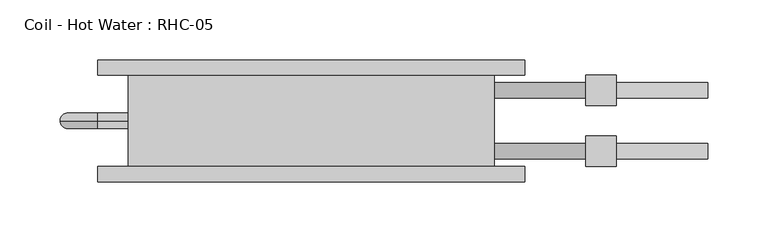
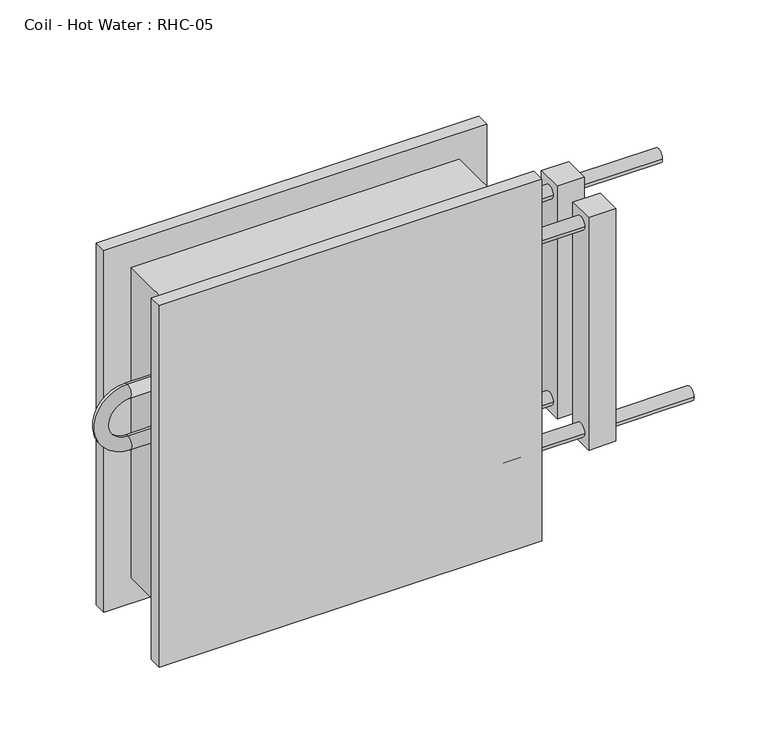
"""IFC4 building model written with IfcOpenShell, lengths in millimetres: proxy geometry, Coil - Hot Water : RHC-05."""

from ifc_helpers import new_model, si_unit, point, frame, origin, place, context, project, spatial, circle_curve, ellipse_curve, trimmed, source, transform, mapped, element, save
from ifc_brep_helpers import plane_surface, cylinder_surface, revolved_surface, advanced_brep


def coil_hot_water_rhc_05_f7cf26ff(model_context):
    return source(origin(), model_context, "Body", "AdvancedBrep", [
        advanced_brep(
        [(-152.4, -76.2, 304.8), (152.4, -76.2, 304.8), (152.4, 0.0, 304.8), (-152.4, 0.0, 304.8), (152.4, -76.2, 0.0), (-152.4, -76.2, 0.0), (-152.4, 0.0, 0.0), (152.4, 0.0, 0.0), (-152.4, -38.1, 222.25), (-152.4, -38.1, 209.55), (-152.4, -38.1, 171.45), (-152.4, -38.1, 158.75), (152.4, -57.15, 254.0), (152.4, -69.85, 254.0), (152.4, -6.35, 50.8), (152.4, -19.05, 50.8), (152.4, -6.35, 254.0), (152.4, -19.05, 254.0), (152.4, -57.15, 50.8), (152.4, -69.85, 50.8), (177.8, -76.2, 330.2), (177.8, -76.2, -25.4), (-177.8, -76.2, -25.4), (-177.8, -76.2, 330.2), (177.8, -88.9, 330.2), (-177.8, -88.9, 330.2), (-177.8, -88.9, -25.4), (177.8, -88.9, -25.4), (330.2, -57.15, 50.8), (330.2, -69.85, 50.8), (330.2, -6.35, 254.0), (330.2, -19.05, 254.0), (254.0, -69.85, 50.8), (254.0, -57.15, 50.8), (254.0, -19.05, 254.0), (254.0, -6.35, 254.0), (177.8, 12.7, 330.2), (177.8, 12.7, -25.4), (-177.8, 12.7, -25.4), (-177.8, 12.7, 330.2), (177.8, 0.0, 330.2), (-177.8, 0.0, 330.2), (-177.8, 0.0, -25.4), (177.8, 0.0, -25.4), (-177.8, -38.1, 209.55), (-177.8, -38.1, 222.25), (-177.8, -38.1, 171.45), (-177.8, -38.1, 158.75), (228.6, -69.85, 254.0), (228.6, -57.15, 254.0), (228.6, -19.05, 50.8), (228.6, -6.35, 50.8), (228.6, -19.05, 254.0), (228.6, -6.35, 254.0), (228.6, -69.85, 50.8), (228.6, -57.15, 50.8), (254.0, -50.8, 266.7), (254.0, -76.2, 266.7), (254.0, -76.2, 38.1), (254.0, -50.8, 38.1), (254.0, 0.0, 266.7), (254.0, -25.4, 266.7), (254.0, -25.4, 38.1), (254.0, 0.0, 38.1), (228.6, -50.8, 266.7), (228.6, -50.8, 38.1), (228.6, -76.2, 38.1), (228.6, -76.2, 266.7), (228.6, 0.0, 266.7), (228.6, 0.0, 38.1), (228.6, -25.4, 38.1), (228.6, -25.4, 266.7)],
        [
            (0, 1),
            (1, 2),
            (2, 3),
            (3, 0),
            (4, 5),
            (5, 6),
            (6, 7),
            (7, 4),
            (3, 6),
            (5, 0),
            (8, 9, circle_curve(frame((-152.4, -38.1, 215.9), z_axis=(1.0, 0.0, 0.0), x_axis=(0.0, 0.0, -1.0)), 6.35)),
            (9, 8, circle_curve(frame((-152.4, -38.1, 215.9), z_axis=(1.0, 0.0, 0.0), x_axis=(0.0, 0.0, -1.0)), 6.35)),
            (10, 11, circle_curve(frame((-152.4, -38.1, 165.1), z_axis=(1.0, 0.0, 0.0), x_axis=(0.0, 0.0, 1.0)), 6.35)),
            (11, 10, circle_curve(frame((-152.4, -38.1, 165.1), z_axis=(1.0, 0.0, 0.0), x_axis=(0.0, 0.0, 1.0)), 6.35)),
            (1, 4),
            (7, 2),
            (12, 13, circle_curve(frame((152.4, -63.5, 254.0), z_axis=(-1.0, 0.0, 0.0), x_axis=(0.0, -1.0, 0.0)), 6.35)),
            (13, 12, circle_curve(frame((152.4, -63.5, 254.0), z_axis=(-1.0, 0.0, 0.0), x_axis=(0.0, -1.0, 0.0)), 6.35)),
            (14, 15, circle_curve(frame((152.4, -12.7, 50.8), z_axis=(-1.0, 0.0, 0.0), x_axis=(0.0, -1.0, 0.0)), 6.35)),
            (15, 14, circle_curve(frame((152.4, -12.7, 50.8), z_axis=(-1.0, 0.0, 0.0), x_axis=(0.0, -1.0, 0.0)), 6.35)),
            (16, 17, circle_curve(frame((152.4, -12.7, 254.0), z_axis=(-1.0, 0.0, 0.0), x_axis=(0.0, -1.0, 0.0)), 6.35)),
            (17, 16, circle_curve(frame((152.4, -12.7, 254.0), z_axis=(-1.0, 0.0, 0.0), x_axis=(0.0, -1.0, 0.0)), 6.35)),
            (18, 19, circle_curve(frame((152.4, -63.5, 50.8), z_axis=(-1.0, 0.0, 0.0), x_axis=(0.0, -1.0, 0.0)), 6.35)),
            (19, 18, circle_curve(frame((152.4, -63.5, 50.8), z_axis=(-1.0, 0.0, 0.0), x_axis=(0.0, -1.0, 0.0)), 6.35)),
            (20, 21),
            (21, 22),
            (22, 23),
            (23, 20),
            (24, 25),
            (25, 26),
            (26, 27),
            (27, 24),
            (23, 25),
            (24, 20),
            (22, 26),
            (21, 27),
            (28, 29, circle_curve(frame((330.2, -63.5, 50.8), z_axis=(1.0, 0.0, 0.0), x_axis=(0.0, -1.0, 0.0)), 6.35)),
            (29, 28, circle_curve(frame((330.2, -63.5, 50.8), z_axis=(1.0, 0.0, 0.0), x_axis=(0.0, -1.0, 0.0)), 6.35)),
            (30, 31, circle_curve(frame((330.2, -12.7, 254.0), z_axis=(1.0, 0.0, 0.0), x_axis=(0.0, -1.0, 0.0)), 6.35)),
            (31, 30, circle_curve(frame((330.2, -12.7, 254.0), z_axis=(1.0, 0.0, 0.0), x_axis=(0.0, -1.0, 0.0)), 6.35)),
            (29, 32),
            (32, 33, circle_curve(frame((254.0, -63.5, 50.8), z_axis=(1.0, 0.0, 0.0), x_axis=(0.0, -1.0, 0.0)), 6.35)),
            (33, 28),
            (33, 32, circle_curve(frame((254.0, -63.5, 50.8), z_axis=(1.0, 0.0, 0.0), x_axis=(0.0, -1.0, 0.0)), 6.35)),
            (31, 34),
            (34, 35, circle_curve(frame((254.0, -12.7, 254.0), z_axis=(1.0, 0.0, 0.0), x_axis=(0.0, -1.0, 0.0)), 6.35)),
            (35, 30),
            (35, 34, circle_curve(frame((254.0, -12.7, 254.0), z_axis=(1.0, 0.0, 0.0), x_axis=(0.0, -1.0, 0.0)), 6.35)),
            (36, 37),
            (37, 38),
            (38, 39),
            (39, 36),
            (40, 41),
            (41, 42),
            (42, 43),
            (43, 40),
            (39, 41),
            (40, 36),
            (38, 42),
            (37, 43),
            (9, 44),
            (44, 45, circle_curve(frame((-177.8, -38.1, 215.9), z_axis=(1.0, 0.0, 0.0), x_axis=(0.0, 0.0, -1.0)), 6.35)),
            (45, 8),
            (45, 44, circle_curve(frame((-177.8, -38.1, 215.9), z_axis=(1.0, 0.0, 0.0), x_axis=(0.0, 0.0, -1.0)), 6.35)),
            (44, 46, circle_curve(frame((-177.8, -38.1, 190.5), z_axis=(0.0, -1.0, 0.0), x_axis=(0.0, 0.0, 1.0)), 19.05)),
            (46, 47, circle_curve(frame((-177.8, -38.1, 165.1), z_axis=(-1.0, 0.0, 0.0), x_axis=(0.0, 0.0, 1.0)), 6.35)),
            (47, 45, circle_curve(frame((-177.8, -38.1, 190.5), z_axis=(0.0, 1.0, 0.0), x_axis=(0.0, 0.0, 1.0)), 31.75)),
            (47, 46, circle_curve(frame((-177.8, -38.1, 165.1), z_axis=(-1.0, 0.0, 0.0), x_axis=(0.0, 0.0, 1.0)), 6.35)),
            (46, 10),
            (11, 47),
            (13, 48),
            (48, 49, circle_curve(frame((228.6, -63.5, 254.0), z_axis=(-1.0, 0.0, 0.0), x_axis=(0.0, -1.0, 0.0)), 6.35)),
            (49, 12),
            (49, 48, circle_curve(frame((228.6, -63.5, 254.0), z_axis=(-1.0, 0.0, 0.0), x_axis=(0.0, -1.0, 0.0)), 6.35)),
            (15, 50),
            (50, 51, circle_curve(frame((228.6, -12.7, 50.8), z_axis=(-1.0, 0.0, 0.0), x_axis=(0.0, -1.0, 0.0)), 6.35)),
            (51, 14),
            (51, 50, circle_curve(frame((228.6, -12.7, 50.8), z_axis=(-1.0, 0.0, 0.0), x_axis=(0.0, -1.0, 0.0)), 6.35)),
            (17, 52),
            (52, 53, circle_curve(frame((228.6, -12.7, 254.0), z_axis=(-1.0, 0.0, 0.0), x_axis=(0.0, -1.0, 0.0)), 6.35)),
            (53, 16),
            (53, 52, circle_curve(frame((228.6, -12.7, 254.0), z_axis=(-1.0, 0.0, 0.0), x_axis=(0.0, -1.0, 0.0)), 6.35)),
            (19, 54),
            (54, 55, circle_curve(frame((228.6, -63.5, 50.8), z_axis=(-1.0, 0.0, 0.0), x_axis=(0.0, -1.0, 0.0)), 6.35)),
            (55, 18),
            (55, 54, circle_curve(frame((228.6, -63.5, 50.8), z_axis=(-1.0, 0.0, 0.0), x_axis=(0.0, -1.0, 0.0)), 6.35)),
            (56, 57),
            (57, 58),
            (58, 59),
            (59, 56),
            (60, 61),
            (61, 62),
            (62, 63),
            (63, 60),
            (64, 65),
            (65, 66),
            (66, 67),
            (67, 64),
            (68, 69),
            (69, 70),
            (70, 71),
            (71, 68),
            (59, 65),
            (64, 56),
            (58, 66),
            (57, 67),
            (63, 69),
            (68, 60),
            (62, 70),
            (61, 71),
        ],
        [
            plane_surface(frame((-152.4, -76.2, 304.8), z_axis=(0.0, 0.0, 1.0), x_axis=(-1.0, 0.0, 0.0))),
            plane_surface(frame((-152.4, -76.2, 0.0), z_axis=(0.0, 0.0, -1.0), x_axis=(1.0, 0.0, 0.0))),
            plane_surface(frame((-152.4, -76.2, 304.8), z_axis=(-1.0, 0.0, 0.0), x_axis=(0.0, 0.0, -1.0))),
            plane_surface(frame((152.4, 0.0, 304.8), z_axis=(1.0, 0.0, 0.0), x_axis=(0.0, 0.0, -1.0))),
            plane_surface(frame((-177.8, -76.2, 330.2), z_axis=(0.0, 1.0, 0.0), x_axis=(-1.0, 0.0, 0.0))),
            plane_surface(frame((-177.8, -88.9, 330.2), z_axis=(0.0, -1.0, 0.0), x_axis=(1.0, 0.0, 0.0))),
            plane_surface(frame((177.8, -76.2, 330.2), z_axis=(0.0, 0.0, 1.0), x_axis=(0.0, -1.0, 0.0))),
            plane_surface(frame((-177.8, -76.2, 330.2), z_axis=(-1.0, 0.0, 0.0), x_axis=(0.0, -1.0, 0.0))),
            plane_surface(frame((-177.8, -76.2, -25.4), z_axis=(0.0, 0.0, -1.0), x_axis=(0.0, -1.0, 0.0))),
            plane_surface(frame((177.8, -76.2, -25.4), z_axis=(1.0, 0.0, 0.0), x_axis=(0.0, -1.0, 0.0))),
            plane_surface(frame((330.2, -69.85, 50.8), z_axis=(1.0, 0.0, 0.0), x_axis=(0.0, 0.0, 1.0))),
            cylinder_surface(frame((254.0, -63.5, 50.8), z_axis=(1.0, 0.0, 0.0), x_axis=(0.0, -1.0, 0.0)), 6.35),
            cylinder_surface(frame((0.0, -12.7, 254.0), z_axis=(1.0, 0.0, 0.0), x_axis=(0.0, -1.0, 0.0)), 6.35),
            plane_surface(frame((-177.8, 12.7, 330.2), z_axis=(0.0, 1.0, 0.0), x_axis=(-1.0, 0.0, 0.0))),
            plane_surface(frame((-177.8, 0.0, 330.2), z_axis=(0.0, -1.0, 0.0), x_axis=(1.0, 0.0, 0.0))),
            plane_surface(frame((177.8, 12.7, 330.2), z_axis=(0.0, 0.0, 1.0), x_axis=(0.0, -1.0, 0.0))),
            plane_surface(frame((-177.8, 12.7, 330.2), z_axis=(-1.0, 0.0, 0.0), x_axis=(0.0, -1.0, 0.0))),
            plane_surface(frame((-177.8, 12.7, -25.4), z_axis=(0.0, 0.0, -1.0), x_axis=(0.0, -1.0, 0.0))),
            plane_surface(frame((177.8, 12.7, -25.4), z_axis=(1.0, 0.0, 0.0), x_axis=(0.0, -1.0, 0.0))),
            cylinder_surface(frame((-152.4, -38.1, 215.9), z_axis=(1.0, 0.0, 0.0), x_axis=(0.0, 0.0, -1.0)), 6.35),
            revolved_surface(trimmed(ellipse_curve(frame((-177.8, -38.1, 215.9), z_axis=(-1.0, 0.0, 0.0), x_axis=(0.0, 0.0, -1.0)), 6.35, 6.35), [point((-177.8, -38.1, 222.25))], [point((-177.8, -38.1, 209.55))], True, "CARTESIAN"), (-177.8, 0.0, 190.5), (0.0, 1.0, 0.0)),
            revolved_surface(trimmed(ellipse_curve(frame((-177.8, -38.1, 215.9), z_axis=(-1.0, 0.0, 0.0), x_axis=(0.0, 0.0, -1.0)), 6.35, 6.35), [point((-177.8, -38.1, 209.55))], [point((-177.8, -38.1, 222.25))], True, "CARTESIAN"), (-177.8, 0.0, 190.5), (0.0, 1.0, 0.0)),
            cylinder_surface(frame((-177.8, -38.1, 165.1), z_axis=(-1.0, 0.0, 0.0), x_axis=(0.0, 0.0, 1.0)), 6.35),
            cylinder_surface(frame((152.4, -63.5, 254.0), z_axis=(-1.0, 0.0, 0.0), x_axis=(0.0, -1.0, 0.0)), 6.35),
            cylinder_surface(frame((152.4, -12.7, 50.8), z_axis=(-1.0, 0.0, 0.0), x_axis=(0.0, -1.0, 0.0)), 6.35),
            cylinder_surface(frame((152.4, -12.7, 254.0), z_axis=(-1.0, 0.0, 0.0), x_axis=(0.0, -1.0, 0.0)), 6.35),
            cylinder_surface(frame((152.4, -63.5, 50.8), z_axis=(-1.0, 0.0, 0.0), x_axis=(0.0, -1.0, 0.0)), 6.35),
            plane_surface(frame((254.0, -50.8, 264.0802069), z_axis=(1.0, 0.0, 0.0), x_axis=(0.0, 0.0, -1.0))),
            plane_surface(frame((228.6, -50.8, 264.0802069), z_axis=(-1.0, 0.0, 0.0), x_axis=(0.0, 0.0, 1.0))),
            plane_surface(frame((254.0, -50.8, 266.7), z_axis=(0.0, 1.0, 0.0), x_axis=(-1.0, 0.0, 0.0))),
            plane_surface(frame((254.0, -50.8, 38.1), z_axis=(0.0, 0.0, -1.0), x_axis=(-1.0, 0.0, 0.0))),
            plane_surface(frame((254.0, -76.2, 38.1), z_axis=(0.0, -1.0, 0.0), x_axis=(-1.0, 0.0, 0.0))),
            plane_surface(frame((254.0, -76.2, 266.7), z_axis=(0.0, 0.0, 1.0), x_axis=(-1.0, 0.0, 0.0))),
            plane_surface(frame((254.0, 0.0, 266.7), z_axis=(0.0, 1.0, 0.0), x_axis=(-1.0, 0.0, 0.0))),
            plane_surface(frame((254.0, 0.0, 38.1), z_axis=(0.0, 0.0, -1.0), x_axis=(-1.0, 0.0, 0.0))),
            plane_surface(frame((254.0, -25.4, 38.1), z_axis=(0.0, -1.0, 0.0), x_axis=(-1.0, 0.0, 0.0))),
            plane_surface(frame((254.0, -25.4, 266.7), z_axis=(0.0, 0.0, 1.0), x_axis=(-1.0, 0.0, 0.0))),
        ],
        [
            (0, [[1, 2, 3, 4]]),
            (1, [[5, 6, 7, 8]]),
            (2, [[9, -6, 10, -4], [11, 12], [13, 14]]),
            (3, [[15, -8, 16, -2], [17, 18], [19, 20], [21, 22], [23, 24]]),
            (4, [[25, 26, 27, 28], [-10, -5, -15, -1]]),
            (5, [[29, 30, 31, 32]]),
            (6, [[33, -29, 34, -28]]),
            (7, [[35, -30, -33, -27]]),
            (8, [[36, -31, -35, -26]]),
            (9, [[-34, -32, -36, -25]]),
            (10, [[37, 38]]),
            (10, [[39, 40]]),
            (11, [[41, 42, 43, -38]]),
            (11, [[-43, 44, -41, -37]]),
            (12, [[45, 46, 47, -40]]),
            (12, [[-47, 48, -45, -39]]),
            (13, [[49, 50, 51, 52]]),
            (14, [[53, 54, 55, 56], [-16, -7, -9, -3]]),
            (15, [[57, -53, 58, -52]]),
            (16, [[59, -54, -57, -51]]),
            (17, [[60, -55, -59, -50]]),
            (18, [[-58, -56, -60, -49]]),
            (19, [[-12, 61, 62, 63]]),
            (19, [[64, -61, -11, -63]]),
            (20, [[65, 66, 67, -62]]),
            (21, [[-67, 68, -65, -64]]),
            (22, [[69, -14, 70, -66]]),
            (22, [[-70, -13, -69, -68]]),
            (23, [[-18, 71, 72, 73]]),
            (23, [[74, -71, -17, -73]]),
            (24, [[-20, 75, 76, 77]]),
            (24, [[78, -75, -19, -77]]),
            (25, [[-22, 79, 80, 81]]),
            (25, [[82, -79, -21, -81]]),
            (26, [[-24, 83, 84, 85]]),
            (26, [[86, -83, -23, -85]]),
            (27, [[87, 88, 89, 90], [-44, -42]]),
            (27, [[91, 92, 93, 94], [-48, -46]]),
            (28, [[95, 96, 97, 98], [-74, -72], [-86, -84]]),
            (28, [[99, 100, 101, 102], [-78, -76], [-82, -80]]),
            (29, [[103, -95, 104, -90]]),
            (30, [[105, -96, -103, -89]]),
            (31, [[106, -97, -105, -88]]),
            (32, [[-104, -98, -106, -87]]),
            (33, [[107, -99, 108, -94]]),
            (34, [[109, -100, -107, -93]]),
            (35, [[110, -101, -109, -92]]),
            (36, [[-108, -102, -110, -91]]),
        ],
    ),
    ])


if __name__ == "__main__":
    model = new_model("IFC4")
    model_context = context("Model", 3, world=origin())
    ifc_project = project(units=[si_unit("LENGTHUNIT", "METRE", prefix="MILLI")], contexts=[model_context])
    site = spatial("IfcSite", under=ifc_project)
    building = spatial("IfcBuilding", under=site)
    placement = place(None, origin())
    coil_hot_water_rhc_05_shape = coil_hot_water_rhc_05_f7cf26ff(model_context)
    element("IfcBuildingElementProxy", 1, Name="Coil - Hot Water : RHC-05", ObjectType="Coil - Hot Water : RHC-05", at=placement, inside=building, context=model_context, shape_type="MappedRepresentation", body=[
        mapped(coil_hot_water_rhc_05_shape, transform((0.0, 0.0, 0.0), x_axis=(1.0, 0.0, 0.0), y_axis=(0.0, 1.0, 0.0), z_axis=(0.0, 0.0, 1.0))),
    ])
    save(model, "model.ifc")
